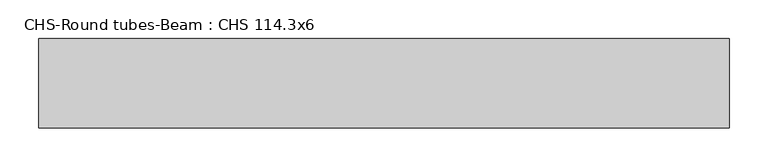
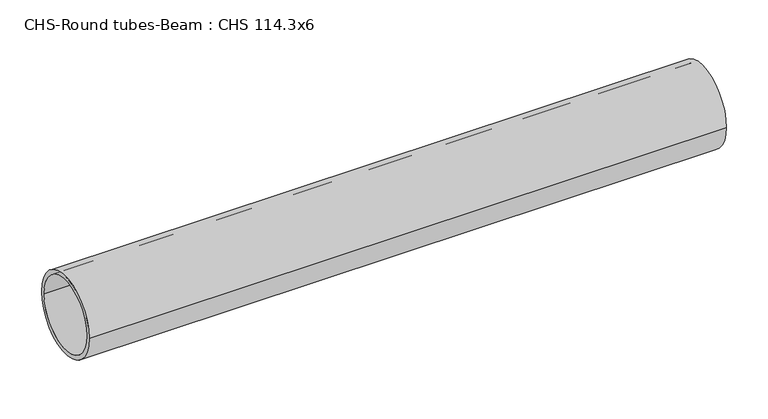
"""IFC4 building model written with IfcOpenShell, lengths in millimetres: beam geometry, CHS-Round tubes-Beam : CHS 114.3x6."""

from ifc_helpers import new_model, si_unit, point, frame, origin, origin_2d, place, context, project, spatial, circle_curve, trimmed, segment, composite_curve, outline, extrude, source, transform, mapped, element, save


def chs_round_tubes_beam_chs_114_3x6_b4eaf27a(model_context):
    return source(origin(), model_context, "Body", "SweptSolid", [
        extrude(outline(composite_curve([segment(trimmed(circle_curve(origin_2d(), 57.15), [point((57.15, 0.0))], [point((-57.15, 0.0))], False, "CARTESIAN"), True, "CONTINUOUS"), segment(trimmed(circle_curve(origin_2d(), 57.15), [point((-57.15, 0.0))], [point((57.15, 0.0))], False, "CARTESIAN"), True, "CONTINUOUS")], self_intersect=False), holes=[composite_curve([segment(trimmed(circle_curve(origin_2d(), 51.15), [point((51.15, 0.0))], [point((-51.15, 0.0))], True, "CARTESIAN"), True, "CONTINUOUS"), segment(trimmed(circle_curve(origin_2d(), 51.15), [point((-51.15, 0.0))], [point((51.15, 0.0))], True, "CARTESIAN"), True, "CONTINUOUS")], self_intersect=False)]), frame((-449.313107, 0.0, 0.0), z_axis=(1.0, 0.0, 0.0), x_axis=(0.0, 1.0, 0.0)), (0.0, 0.0, 1.0), 885.4560668),
    ])


if __name__ == "__main__":
    model = new_model("IFC4")
    model_context = context("Model", 3, world=origin())
    ifc_project = project(units=[si_unit("LENGTHUNIT", "METRE", prefix="MILLI")], contexts=[model_context])
    site = spatial("IfcSite", under=ifc_project)
    building = spatial("IfcBuilding", under=site)
    placement = place(None, origin())
    chs_round_tubes_beam_chs_114_3x6_shape = chs_round_tubes_beam_chs_114_3x6_b4eaf27a(model_context)
    element("IfcBeam", 1, ObjectType="CHS-Round tubes-Beam : CHS 114.3x6", at=placement, inside=building, context=model_context, shape_type="MappedRepresentation", body=[
        mapped(chs_round_tubes_beam_chs_114_3x6_shape, transform((0.0, 0.0, 0.0), x_axis=(1.0, 0.0, 0.0), y_axis=(0.0, 1.0, 0.0), z_axis=(0.0, 0.0, 1.0))),
    ])
    save(model, "model.ifc")
